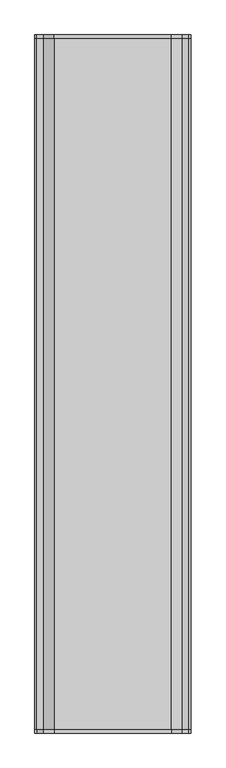
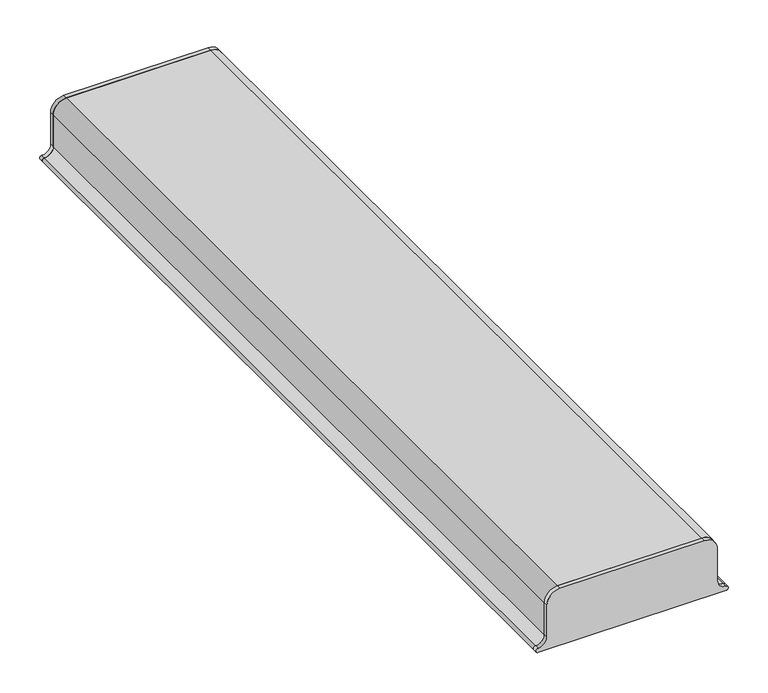
"""IFC4 building model written with IfcOpenShell, lengths in millimetres: proxy geometry."""

from ifc_helpers import new_model, si_unit, point, frame, frame_2d, origin, place, context, project, spatial, polyline, circle_curve, trimmed, segment, composite_curve, outline, extrude, source, transform, mapped, element, save


def generic_models_18f7e5e1(model_context):
    return source(origin(), model_context, "Body", "SweptSolid", [
        extrude(outline(composite_curve([segment(trimmed(circle_curve(frame_2d((431.1687819, 235.6397011)), 12.7), [point((418.4687819, 235.6397011))], [point((431.1687819, 222.9397011))], True, "CARTESIAN"), True, "CONTINUOUS"), segment(polyline([(431.1687819, 222.9397011), (482.3425919, 222.9397011)]), True, "CONTINUOUS"), segment(trimmed(circle_curve(frame_2d((480.3119736, 203.9982362)), 19.05), [point((482.3425919, 222.9397011))], [point((499.3619736, 203.9982362))], False, "CARTESIAN"), True, "CONTINUOUS"), segment(polyline([(499.3619736, 203.9982362), (499.3619736, -5.6602989)]), True, "CONTINUOUS"), segment(trimmed(circle_curve(frame_2d((480.3119736, -5.6602989)), 19.05), [point((499.3619736, -5.6602989))], [point((480.3119736, -24.7102989))], False, "CARTESIAN"), True, "CONTINUOUS"), segment(polyline([(480.3119736, -24.7102989), (431.1687819, -24.7102989)]), True, "CONTINUOUS"), segment(trimmed(circle_curve(frame_2d((431.1687819, -37.4102989)), 12.7), [point((431.1687819, -24.7102989))], [point((418.4687819, -37.4102989))], True, "CARTESIAN"), True, "CONTINUOUS"), segment(trimmed(circle_curve(frame_2d((415.2937819, -37.4102989)), 3.175), [point((418.4687819, -37.4102989))], [point((412.1187819, -37.4102989))], False, "CARTESIAN"), True, "CONTINUOUS"), segment(polyline([(412.1187819, -37.4102989), (412.1187819, 235.6397011)]), True, "CONTINUOUS"), segment(trimmed(circle_curve(frame_2d((415.2937819, 235.6397011)), 3.175), [point((412.1187819, 235.6397011))], [point((418.4687819, 235.6397011))], False, "CARTESIAN"), True, "CONTINUOUS")], self_intersect=False)), frame((0.0, -624.284375, 0.0), z_axis=(0.0, 1.0, 0.0), x_axis=(0.0, 0.0, 1.0)), (0.0, 0.0, 1.0), 6.35),
        extrude(outline(composite_curve([segment(trimmed(circle_curve(frame_2d((431.1687819, -37.4102989)), 12.7), [point((431.1687819, -24.7102989))], [point((418.4687819, -37.4102989))], True, "CARTESIAN"), True, "CONTINUOUS"), segment(trimmed(circle_curve(frame_2d((415.2937819, -37.4102989)), 3.175), [point((418.4687819, -37.4102989))], [point((412.1187819, -37.4102989))], False, "CARTESIAN"), True, "CONTINUOUS"), segment(polyline([(412.1187819, -37.4102989), (412.1187819, 235.6397011)]), True, "CONTINUOUS"), segment(trimmed(circle_curve(frame_2d((415.2937819, 235.6397011)), 3.175), [point((412.1187819, 235.6397011))], [point((418.4687819, 235.6397011))], False, "CARTESIAN"), True, "CONTINUOUS"), segment(trimmed(circle_curve(frame_2d((431.1687819, 235.6397011)), 12.7), [point((418.4687819, 235.6397011))], [point((431.1687819, 222.9397011))], True, "CARTESIAN"), True, "CONTINUOUS"), segment(polyline([(431.1687819, 222.9397011), (482.3425919, 222.9397011)]), True, "CONTINUOUS"), segment(trimmed(circle_curve(frame_2d((480.3119736, 203.9982362)), 19.05), [point((482.3425919, 222.9397011))], [point((499.3619736, 203.9982362))], False, "CARTESIAN"), True, "CONTINUOUS"), segment(polyline([(499.3619736, 203.9982362), (499.3619736, -5.6602989)]), True, "CONTINUOUS"), segment(trimmed(circle_curve(frame_2d((480.3119736, -5.6602989)), 19.05), [point((499.3619736, -5.6602989))], [point((480.3119736, -24.7102989))], False, "CARTESIAN"), True, "CONTINUOUS"), segment(polyline([(480.3119736, -24.7102989), (431.1687819, -24.7102989)]), True, "CONTINUOUS")], self_intersect=False)), frame((0.0, 617.934375, 0.0), z_axis=(0.0, 1.0, 0.0), x_axis=(0.0, 0.0, 1.0)), (0.0, 0.0, 1.0), 6.35),
        extrude(outline(composite_curve([segment(trimmed(circle_curve(frame_2d((480.3119736, -5.6602989)), 19.05), [point((499.3619736, -5.6602989))], [point((480.3119736, -24.7102989))], False, "CARTESIAN"), True, "CONTINUOUS"), segment(polyline([(480.3119736, -24.7102989), (431.1687819, -24.7102989)]), True, "CONTINUOUS"), segment(trimmed(circle_curve(frame_2d((431.1687819, -37.4102989)), 12.7), [point((431.1687819, -24.7102989))], [point((418.4687819, -37.4102989))], True, "CARTESIAN"), True, "CONTINUOUS"), segment(trimmed(circle_curve(frame_2d((415.2937819, -37.4102989)), 3.175), [point((418.4687819, -37.4102989))], [point((412.1187819, -37.4102989))], False, "CARTESIAN"), True, "CONTINUOUS"), segment(trimmed(circle_curve(frame_2d((431.1687819, -37.4102989)), 19.05), [point((412.1187819, -37.4102989))], [point((431.1687819, -18.3602989))], False, "CARTESIAN"), True, "CONTINUOUS"), segment(polyline([(431.1687819, -18.3602989), (480.3119736, -18.3602989)]), True, "CONTINUOUS"), segment(trimmed(circle_curve(frame_2d((480.3119736, -5.6602989)), 12.7), [point((480.3119736, -18.3602989))], [point((493.0119736, -5.6602989))], True, "CARTESIAN"), True, "CONTINUOUS"), segment(polyline([(493.0119736, -5.6602989), (493.0119736, 203.9982362)]), True, "CONTINUOUS"), segment(trimmed(circle_curve(frame_2d((480.3119736, 203.9982362)), 12.7), [point((493.0119736, 203.9982362))], [point((481.9687819, 216.5897011))], True, "CARTESIAN"), True, "CONTINUOUS"), segment(polyline([(481.9687819, 216.5897011), (431.1687819, 216.5897011)]), True, "CONTINUOUS"), segment(trimmed(circle_curve(frame_2d((431.1687819, 235.6397011)), 19.05), [point((431.1687819, 216.5897011))], [point((412.1187819, 235.6397011))], False, "CARTESIAN"), True, "CONTINUOUS"), segment(trimmed(circle_curve(frame_2d((415.2937819, 235.6397011)), 3.175), [point((412.1187819, 235.6397011))], [point((418.4687819, 235.6397011))], False, "CARTESIAN"), True, "CONTINUOUS"), segment(trimmed(circle_curve(frame_2d((431.1687819, 235.6397011)), 12.7), [point((418.4687819, 235.6397011))], [point((431.1687819, 222.9397011))], True, "CARTESIAN"), True, "CONTINUOUS"), segment(polyline([(431.1687819, 222.9397011), (482.3425919, 222.9397011)]), True, "CONTINUOUS"), segment(trimmed(circle_curve(frame_2d((480.3119736, 203.9982362)), 19.05), [point((482.3425919, 222.9397011))], [point((499.3619736, 203.9982362))], False, "CARTESIAN"), True, "CONTINUOUS"), segment(polyline([(499.3619736, 203.9982362), (499.3619736, -5.6602989)]), True, "CONTINUOUS")], self_intersect=False)), frame((0.0, -617.934375, 0.0), z_axis=(0.0, 1.0, 0.0), x_axis=(0.0, 0.0, 1.0)), (0.0, 0.0, 1.0), 1235.86875),
    ])


if __name__ == "__main__":
    model = new_model("IFC4")
    model_context = context("Model", 3, world=origin())
    ifc_project = project(units=[si_unit("LENGTHUNIT", "METRE", prefix="MILLI")], contexts=[model_context])
    site = spatial("IfcSite", under=ifc_project)
    building = spatial("IfcBuilding", under=site)
    placement = place(None, origin())
    generic_models_shape = generic_models_18f7e5e1(model_context)
    element("IfcBuildingElementProxy", 1, Name="Generic Models", at=placement, inside=building, context=model_context, shape_type="MappedRepresentation", body=[
        mapped(generic_models_shape, transform((0.0, 0.0, 0.0), x_axis=(1.0, 0.0, 0.0), y_axis=(0.0, 1.0, 0.0), z_axis=(0.0, 0.0, 1.0))),
    ])
    save(model, "model.ifc")
